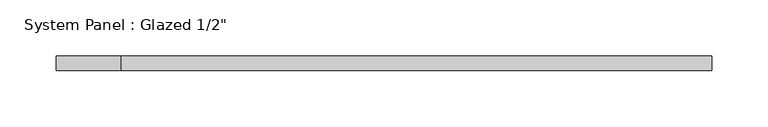
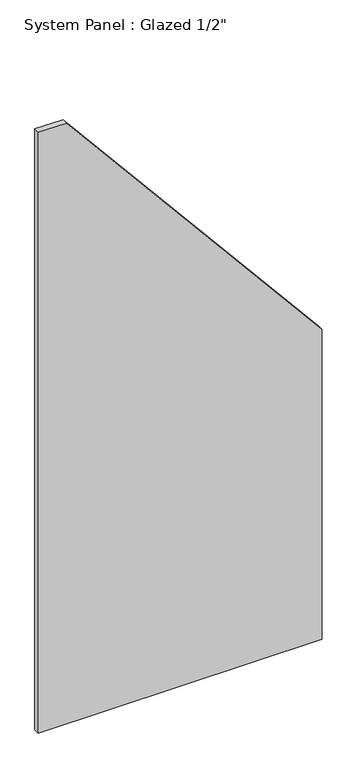
"""IFC4 building model written with IfcOpenShell, lengths in millimetres: plate geometry."""

from ifc_helpers import new_model, si_unit, frame, origin, place, context, project, spatial, polyline, outline, extrude, source, transform, mapped, element, save


def plate_3eb72a65(model_context):
    return source(origin(), model_context, "Body", "SweptSolid", [
        extrude(outline(polyline([(0.0, -291.3206866), (0.0, 291.3206866), (672.6628332, 291.3206866), (1303.5327859, -233.5948433), (1303.5327859, -291.3206866), (0.0, -291.3206866)])), frame((0.0, -6.35, 0.0), z_axis=(0.0, 1.0, 0.0), x_axis=(0.0, 0.0, 1.0)), (0.0, 0.0, 1.0), 12.7),
    ])


if __name__ == "__main__":
    model = new_model("IFC4")
    model_context = context("Model", 3, world=origin())
    ifc_project = project(units=[si_unit("LENGTHUNIT", "METRE", prefix="MILLI")], contexts=[model_context])
    site = spatial("IfcSite", under=ifc_project)
    building = spatial("IfcBuilding", under=site)
    placement = place(None, origin())
    plate_shape = plate_3eb72a65(model_context)
    element("IfcPlate", 1, ObjectType="System Panel : Glazed 1/2\"", at=placement, inside=building, context=model_context, shape_type="MappedRepresentation", body=[
        mapped(plate_shape, transform((0.0, 0.0, 0.0), x_axis=(1.0, 0.0, 0.0), y_axis=(0.0, 1.0, 0.0), z_axis=(0.0, 0.0, 1.0))),
    ])
    save(model, "model.ifc")
